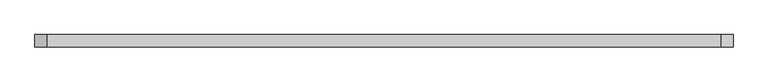
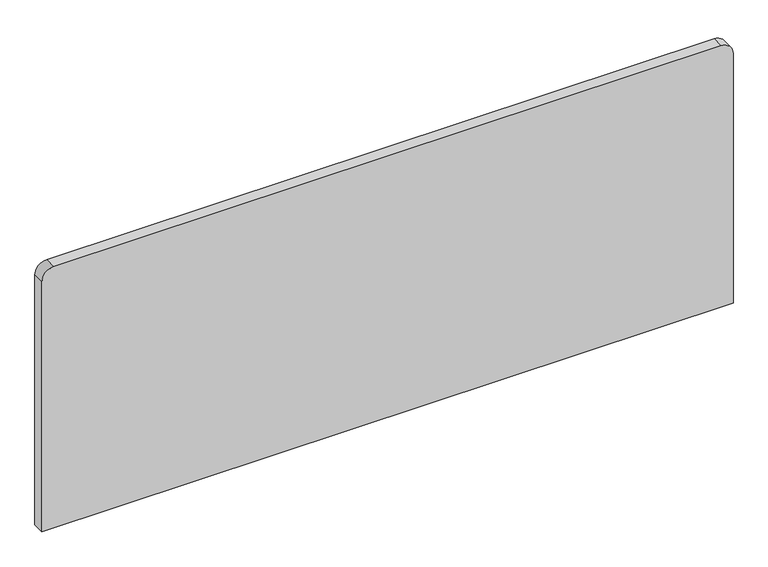
"""IFC4 building model written with IfcOpenShell, lengths in millimetres: furniture geometry."""

from ifc_helpers import new_model, si_unit, point, frame, frame_2d, origin, place, context, project, spatial, polyline, circle_curve, trimmed, segment, composite_curve, outline, extrude, source, transform, mapped, element, save


def furniture_f2829a49(model_context):
    return source(origin(), model_context, "Body", "SweptSolid", [
        extrude(outline(composite_curve([segment(polyline([(752.475, -429.6314461), (752.475, 1570.6185539), (1517.5507813, 1570.6185539)]), True, "CONTINUOUS"), segment(trimmed(circle_curve(frame_2d((1517.5507813, 1535.5943351)), 35.0242187), [point((1517.5507813, 1570.6185539))], [point((1552.575, 1535.5943351))], False, "CARTESIAN"), True, "CONTINUOUS"), segment(polyline([(1552.575, 1535.5943351), (1552.575, -394.6072274)]), True, "CONTINUOUS"), segment(trimmed(circle_curve(frame_2d((1517.5507813, -394.6072274)), 35.0242187), [point((1552.575, -394.6072274))], [point((1517.5507813, -429.6314461))], False, "CARTESIAN"), True, "CONTINUOUS"), segment(polyline([(1517.5507813, -429.6314461), (752.475, -429.6314461)]), True, "CONTINUOUS")], self_intersect=False)), frame((0.0, 26.9378906, 0.0), z_axis=(0.0, 1.0, 0.0), x_axis=(0.0, 0.0, 1.0)), (0.0, 0.0, 1.0), 35.0242188),
    ])


if __name__ == "__main__":
    model = new_model("IFC4")
    model_context = context("Model", 3, world=origin())
    ifc_project = project(units=[si_unit("LENGTHUNIT", "METRE", prefix="MILLI")], contexts=[model_context])
    site = spatial("IfcSite", under=ifc_project)
    building = spatial("IfcBuilding", under=site)
    placement = place(None, origin())
    furniture_shape = furniture_f2829a49(model_context)
    element("IfcFurniture", 1, at=placement, inside=building, context=model_context, shape_type="MappedRepresentation", body=[
        mapped(furniture_shape, transform((0.0, 0.0, 0.0), x_axis=(1.0, 0.0, 0.0), y_axis=(0.0, 1.0, 0.0), z_axis=(0.0, 0.0, 1.0))),
    ])
    save(model, "model.ifc")
